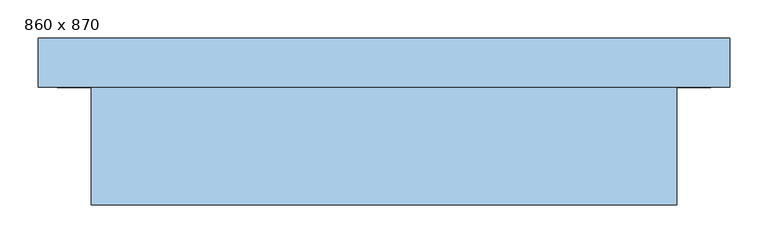
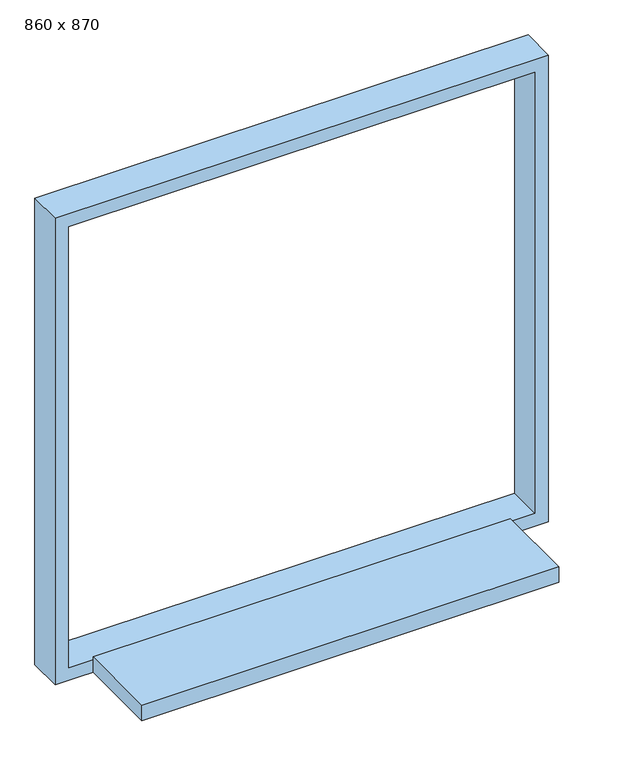
"""IFC4 building model written with IfcOpenShell, lengths in millimetres: window geometry, 860 x 870."""

from ifc_helpers import new_model, si_unit, frame, origin, place, context, project, spatial, polyline, outline, extrude, source, transform, mapped, element, save


def window_860_x_870_f9d2a20e(model_context):
    return source(origin(), model_context, "Body", "SweptSolid", [
        extrude(outline(polyline([(346.9, -120.0), (346.9, -275.0), (-423.1, -275.0), (-423.1, -120.0), (346.9, -120.0)])), frame((0.0, 0.0, 800.0), z_axis=(0.0, 0.0, 1.0), x_axis=(1.0, 0.0, 0.0)), (0.0, 0.0, 1.0), 30.0),
        extrude(outline(polyline([(1710.0, -493.1), (800.0, -493.1), (800.0, 416.9), (1710.0, 416.9), (1710.0, -493.1)]), holes=[polyline([(825.0, -468.1), (1685.0, -468.1), (1685.0, 391.9), (825.0, 391.9), (825.0, -468.1)])]), frame((0.0, -120.0, 0.0), z_axis=(0.0, 1.0, 0.0), x_axis=(0.0, 0.0, 1.0)), (0.0, 0.0, 1.0), 65.0),
    ])


if __name__ == "__main__":
    model = new_model("IFC4")
    model_context = context("Model", 3, world=origin())
    ifc_project = project(units=[si_unit("LENGTHUNIT", "METRE", prefix="MILLI")], contexts=[model_context])
    site = spatial("IfcSite", under=ifc_project)
    building = spatial("IfcBuilding", under=site)
    placement = place(None, origin())
    window_860_x_870_shape = window_860_x_870_f9d2a20e(model_context)
    element("IfcWindow", 1, ObjectType="860 x 870", at=placement, inside=building, context=model_context, shape_type="MappedRepresentation", body=[
        mapped(window_860_x_870_shape, transform((0.0, 0.0, 0.0), x_axis=(1.0, 0.0, 0.0), y_axis=(0.0, 1.0, 0.0), z_axis=(0.0, 0.0, 1.0))),
    ])
    save(model, "model.ifc")
